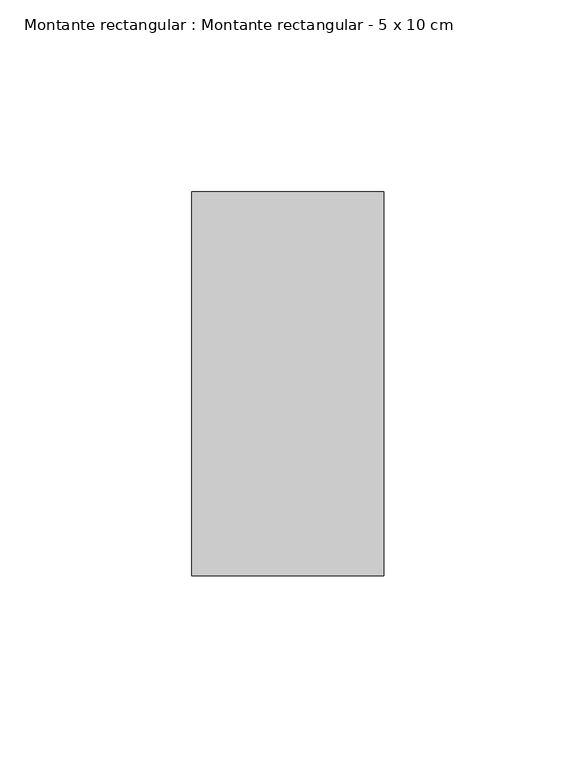
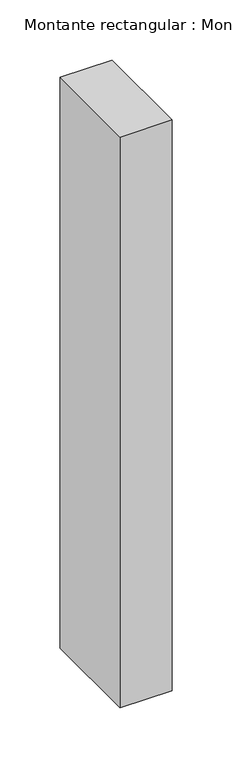
"""IFC4 building model written with IfcOpenShell, lengths in millimetres: member geometry, Montante rectangular : Montante rectangular - 5 x 10 cm."""

from ifc_helpers import new_model, si_unit, frame, origin, place, context, project, spatial, polyline, outline, extrude, source, transform, mapped, element, save


def montante_rectangular_montante_rectangular_5_x_10_cm_b8c6d816(model_context):
    return source(origin(), model_context, "Body", "SweptSolid", [
        extrude(outline(polyline([(0.0, 50.0), (0.0, -50.0), (-50.0, -50.0), (-50.0, 50.0), (0.0, 50.0)])), frame((0.0, 0.0, -580.0), z_axis=(0.0, 0.0, 1.0), x_axis=(1.0, 0.0, 0.0)), (0.0, 0.0, 1.0), 580.0),
    ])


if __name__ == "__main__":
    model = new_model("IFC4")
    model_context = context("Model", 3, world=origin())
    ifc_project = project(units=[si_unit("LENGTHUNIT", "METRE", prefix="MILLI")], contexts=[model_context])
    site = spatial("IfcSite", under=ifc_project)
    building = spatial("IfcBuilding", under=site)
    placement = place(None, origin())
    montante_rectangular_montante_rectangular_5_x_10_cm_shape = montante_rectangular_montante_rectangular_5_x_10_cm_b8c6d816(model_context)
    element("IfcMember", 1, ObjectType="Montante rectangular : Montante rectangular - 5 x 10 cm", at=placement, inside=building, context=model_context, shape_type="MappedRepresentation", body=[
        mapped(montante_rectangular_montante_rectangular_5_x_10_cm_shape, transform((0.0, 0.0, 0.0), x_axis=(1.0, 0.0, 0.0), y_axis=(0.0, 1.0, 0.0), z_axis=(0.0, 0.0, 1.0))),
    ])
    save(model, "model.ifc")
